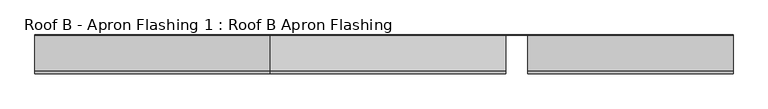
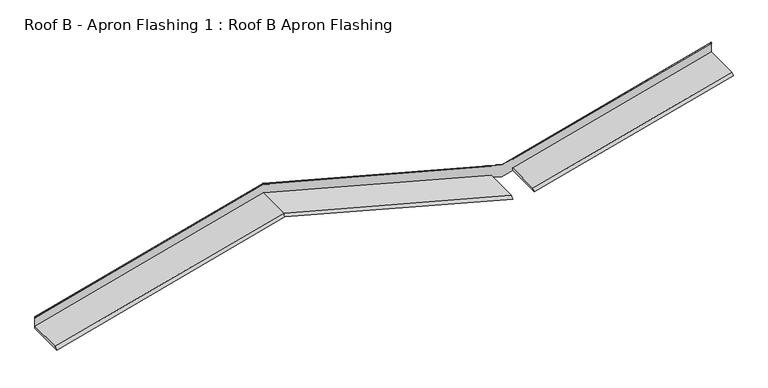
"""IFC4 building model written with IfcOpenShell, lengths in millimetres: proxy geometry, Roof B - Apron Flashing 1 : Roof B Apron Flashing."""

from ifc_helpers import new_model, si_unit, frame, origin, place, context, project, spatial, ellipse_curve, source, transform, mapped, element, save
from ifc_brep_helpers import plane_surface, cylinder_surface, advanced_brep


def roof_b_apron_flashing_1_roof_b_apron_flashing_b01abbb7(model_context):
    return source(origin(), model_context, "Body", "AdvancedBrep", [
        advanced_brep(
        [(2000.0, -488.4050751, 3993.4914166), (2000.0, -515.4050751, 3965.5389597), (4592.292347, -515.4050751, 3270.9363188), (4592.292347, -488.4050751, 3298.8887757), (2000.0, -85.5, 3965.5389597), (4715.0, -85.5, 3238.0569023), (4715.0, -86.5, 3238.0569023), (4592.292347, -86.5, 3270.9363188), (2000.0, -86.7239884, 4106.5414436), (2000.0, -90.5139698, 4100.4995101), (4592.292347, -90.5139698, 3405.8968692), (4592.292347, -86.7239884, 3411.9388026), (2000.0, -86.5, 3993.4914166), (4592.292347, -86.5, 3298.8887757), (-595.339528, -515.4050751, 3270.1198291), (-595.339528, -85.5, 3270.1198291), (-595.339528, -86.7239884, 3411.122313), (-595.339528, -90.5139698, 3405.0803795), (-595.339528, -86.5, 3298.072286), (-595.339528, -488.4050751, 3298.072286), (4837.292347, -488.4050751, 3298.7774948), (4837.292347, -515.4050751, 3270.8250379), (7098.363155, -515.4050751, 3876.6771349), (7098.363155, -488.4050751, 3904.6295918), (4898.525907, -85.5, 3287.2325209), (4898.525907, -477.4175022, 3287.2325209), (7098.363155, -477.4175022, 3876.6771349), (4837.292347, -86.5, 3270.8250379), (-595.339528, -85.5, 3410.7469613), (2000.0, -85.5, 4106.1660919), (4715.0, -85.5, 3378.6840344), (7098.363155, -85.5, 4017.3042671), (7098.363155, -85.5, 3903.6072157), (4898.525907, -85.5, 3314.1626016), (4837.292347, -86.7239884, 3411.8275217), (4837.292347, -90.5139698, 3405.7855883), (7098.363155, -90.5139698, 4011.6376853), (7098.363155, -86.7239884, 4017.6796188), (4837.292347, -86.5, 3298.7774948), (7098.363155, -86.5, 3904.6295918), (7098.363155, -86.5, 4016.1358495), (4837.292347, -86.5, 3410.2837525), (4837.292347, -86.5, 3412.0481369), (4715.0, -86.5, 3379.2800012), (4592.292347, -86.5, 3412.1594178), (4592.292347, -86.5, 3410.3950334), (2000.0, -86.5, 4104.9976743), (-595.339528, -86.5, 3409.5785437), (4837.292347, -89.6752992, 3405.2217365), (7098.363155, -89.6752992, 4011.0738335), (2000.0, -89.6752992, 4099.9356583), (4592.292347, -89.6752992, 3405.3330174), (-595.339528, -89.6752992, 3404.5165277), (4898.525907, -477.4175022, 3314.1626016), (7098.363155, -477.4175022, 3903.6072157)],
        [
            (0, 1),
            (1, 2),
            (2, 3),
            (3, 0),
            (1, 4),
            (4, 5),
            (5, 6),
            (6, 7),
            (7, 2),
            (8, 9),
            (9, 10),
            (10, 11),
            (11, 8),
            (12, 0),
            (3, 13),
            (13, 12),
            (1, 14),
            (14, 15),
            (15, 4),
            (8, 16),
            (16, 17),
            (17, 9),
            (12, 18),
            (18, 19),
            (19, 0),
            (20, 21),
            (21, 22),
            (22, 23),
            (23, 20),
            (5, 24),
            (24, 25),
            (25, 26),
            (26, 22),
            (21, 27),
            (27, 6),
            (15, 28),
            (28, 29),
            (29, 30),
            (30, 31),
            (31, 32),
            (32, 33),
            (33, 24),
            (34, 35),
            (35, 36),
            (36, 37),
            (37, 34),
            (13, 7),
            (27, 38),
            (38, 39),
            (39, 40),
            (40, 41),
            (41, 42),
            (42, 43),
            (43, 44),
            (44, 45),
            (45, 46),
            (46, 47),
            (47, 18),
            (38, 20),
            (23, 39),
            (30, 43, ellipse_curve(frame((4715.0, -86.1656921, 3378.6840344), z_axis=(1.0, 0.0, 0.0), x_axis=(0.0, 0.0, 1.0)), 0.6891751, 0.6656921)),
            (42, 34, ellipse_curve(frame((4837.292347, -86.1656921, 3411.4521701), z_axis=(1.0, 0.0, 0.0), x_axis=(0.0, 0.0, 1.0)), 0.6891751, 0.6656921)),
            (37, 31, ellipse_curve(frame((7098.363155, -86.1656921, 4017.3042671), z_axis=(-1.0, 0.0, 0.0), x_axis=(0.0, 0.0, 1.0)), 0.6891751, 0.6656921)),
            (35, 48, ellipse_curve(frame((4837.292347, -90.0946345, 3405.5036624), z_axis=(1.0, 0.0, 0.0), x_axis=(0.0, 0.0, 1.0)), 0.5176381, 0.5)),
            (48, 49),
            (49, 36, ellipse_curve(frame((7098.363155, -90.0946345, 4011.3557594), z_axis=(-1.0, 0.0, 0.0), x_axis=(0.0, 0.0, 1.0)), 0.5176381, 0.5)),
            (48, 41),
            (40, 49),
            (29, 8, ellipse_curve(frame((2000.0, -86.1656921, 4106.1660919), z_axis=(1.0, 0.0, 0.0), x_axis=(0.0, 0.0, -1.0)), 0.6891751, 0.6656921)),
            (11, 44, ellipse_curve(frame((4592.292347, -86.1656921, 3411.563451), z_axis=(-1.0, 0.0, 0.0), x_axis=(0.0, 0.0, -1.0)), 0.6891751, 0.6656921)),
            (9, 50, ellipse_curve(frame((2000.0, -90.0946345, 4100.2175842), z_axis=(1.0, 0.0, 0.0), x_axis=(0.0, 0.0, -1.0)), 0.5176381, 0.5)),
            (50, 51),
            (51, 10, ellipse_curve(frame((4592.292347, -90.0946345, 3405.6149433), z_axis=(-1.0, 0.0, 0.0), x_axis=(0.0, 0.0, -1.0)), 0.5176381, 0.5)),
            (50, 46),
            (45, 51),
            (28, 16, ellipse_curve(frame((-595.339528, -86.1656921, 3410.7469613), z_axis=(1.0, 0.0, 0.0), x_axis=(0.0, 0.0, 1.0)), 0.6891751, 0.6656921)),
            (17, 52, ellipse_curve(frame((-595.339528, -90.0946345, 3404.7984536), z_axis=(1.0, 0.0, 0.0), x_axis=(0.0, 0.0, 1.0)), 0.5176381, 0.5)),
            (52, 50),
            (52, 47),
            (19, 14),
            (25, 53),
            (53, 54),
            (54, 26),
            (53, 33),
            (32, 54),
        ],
        [
            plane_surface(frame((4715.0, -488.4050751, 3266.0093592), z_axis=(0.18301270189221883, -0.7071067811865478, 0.6830127018922193), x_axis=(-0.9659258262890684, 0.0, 0.2588190451025201))),
            plane_surface(frame((4715.0, -515.4050751, 3238.0569023), z_axis=(-0.2588190451025201, 0.0, -0.9659258262890684), x_axis=(-0.9659258262890684, 0.0, 0.2588190451025201))),
            plane_surface(frame((4715.0, -86.7239884, 3379.0593861), z_axis=(0.14096295496814815, -0.838670567945422, 0.5260809099261741), x_axis=(-0.9659258262890685, 0.0, 0.2588190451025201))),
            plane_surface(frame((4715.0, -86.5, 3266.0093592), z_axis=(0.2588190451025201, 0.0, 0.9659258262890684), x_axis=(-0.9659258262890684, 0.0, 0.2588190451025201))),
            plane_surface(frame((2000.0, -515.4050751, 3965.5389597), z_axis=(0.25881904510251996, 0.0, -0.9659258262890685), x_axis=(-0.9659258262890685, 0.0, -0.25881904510251996))),
            plane_surface(frame((2000.0, -86.7239884, 4106.5414436), z_axis=(-0.1409629549681481, -0.8386705679454222, 0.526080909926174), x_axis=(-0.9659258262890685, 0.0, -0.25881904510252))),
            plane_surface(frame((2000.0, -86.5, 3993.4914166), z_axis=(-0.2588190451025201, 0.0, 0.9659258262890684), x_axis=(-0.9659258262890684, 0.0, -0.2588190451025201))),
            plane_surface(frame((7217.9826273, -488.4050751, 3936.6815328), z_axis=(-0.18301270189221663, -0.7071067811865478, 0.6830127018922197), x_axis=(-0.9659258262890693, 0.0, -0.258819045102517))),
            plane_surface(frame((7224.9707415, -515.4050751, 3910.6015355), z_axis=(0.2588190451025171, 0.0, -0.9659258262890693), x_axis=(-0.9659258262890693, 0.0, -0.2588190451025171))),
            plane_surface(frame((7224.9707415, -85.5, 3910.6015355), z_axis=(0.0, 1.0, 0.0), x_axis=(-0.9659258262890693, 0.0, -0.2588190451025171))),
            plane_surface(frame((7189.7201206, -86.7239884, 4042.1586439), z_axis=(-0.1409629549681465, -0.8386705679454222, 0.5260809099261744), x_axis=(-0.9659258262890693, 0.0, -0.25881904510251713))),
            plane_surface(frame((7190.1060629, -86.5, 4040.7182876), z_axis=(0.0, -1.0, 0.0), x_axis=(-0.9659258262890693, 0.0, -0.258819045102517))),
            plane_surface(frame((7217.9826273, -86.5, 3936.6815328), z_axis=(-0.2588190451025169, 0.0, 0.9659258262890694), x_axis=(-0.9659258262890694, 0.0, -0.2588190451025169))),
            cylinder_surface(frame((7189.8139585, -86.1656921, 4041.808436), z_axis=(0.9659258262890694, 0.0, 0.2588190451025169), x_axis=(-0.2588190451025169, 0.0, 0.9659258262890694)), 0.6656921),
            cylinder_surface(frame((7191.3010854, -90.0946345, 4036.2584028), z_axis=(0.9659258262890694, 0.0, 0.2588190451025169), x_axis=(-0.2588190451025169, 0.0, 0.9659258262890694)), 0.5),
            plane_surface(frame((7191.3715669, -89.6752992, 4035.9953624), z_axis=(0.1409629549681444, 0.8386705679454272, -0.5260809099261671), x_axis=(-0.9659258262890694, 0.0, -0.2588190451025169))),
            cylinder_surface(frame((4770.9117064, -86.1656921, 3363.7025379), z_axis=(0.9659258262890684, 0.0, -0.2588190451025201), x_axis=(0.2588190451025201, 0.0, 0.9659258262890684)), 0.6656921),
            cylinder_surface(frame((4769.4245795, -90.0946345, 3358.1525047), z_axis=(0.9659258262890684, 0.0, -0.2588190451025201), x_axis=(0.2588190451025201, 0.0, 0.9659258262890684)), 0.5),
            plane_surface(frame((4715.0, -89.6752992, 3372.4536009), z_axis=(-0.14096295496814612, 0.8386705679454273, -0.5260809099261665), x_axis=(-0.9659258262890685, 0.0, 0.2588190451025201))),
            cylinder_surface(frame((1944.0882936, -86.1656921, 4091.1845953), z_axis=(0.9659258262890684, 0.0, 0.2588190451025201), x_axis=(-0.2588190451025201, 0.0, 0.9659258262890684)), 0.6656921),
            cylinder_surface(frame((1945.5754205, -90.0946345, 4085.6345621), z_axis=(0.9659258262890684, 0.0, 0.2588190451025201), x_axis=(-0.2588190451025201, 0.0, 0.9659258262890684)), 0.5),
            plane_surface(frame((2000.0, -89.6752992, 4099.9356583), z_axis=(0.1409629549681462, 0.838670567945427, -0.5260809099261665), x_axis=(-0.9659258262890684, 0.0, -0.25881904510252024))),
            plane_surface(frame((2000.0, -488.4050751, 3993.4914166), z_axis=(-0.18301270189221863, -0.7071067811865479, 0.6830127018922192), x_axis=(-0.9659258262890685, 0.0, -0.2588190451025199))),
            plane_surface(frame((4837.292347, -5345.0, 3660.9894786), z_axis=(-1.0, 0.0, 0.0), x_axis=(0.0, 0.0, -1.0))),
            plane_surface(frame((4592.292347, -86.5, 3660.9894786), z_axis=(1.0, 0.0, 0.0), x_axis=(0.0, 0.0, -1.0))),
            plane_surface(frame((-595.339528, -5105.0, 3739.5229882), z_axis=(-1.0, 0.0, 0.0), x_axis=(0.0, 0.0, -1.0))),
            plane_surface(frame((4898.525907, -477.4175022, 3214.1626016), z_axis=(0.0, 1.0, 0.0), x_axis=(1.0, 0.0, 0.0))),
            plane_surface(frame((7613.525907, -477.4175022, 4041.6446591), z_axis=(0.25881904510251846, 0.0, -0.965925826289069), x_axis=(0.0, 1.0, 0.0))),
            plane_surface(frame((4898.525907, -477.4175022, 3314.1626016), z_axis=(1.0, 0.0, 0.0), x_axis=(0.0, 1.0, 0.0))),
            plane_surface(frame((7098.363155, 25.0, 4465.4787487), z_axis=(1.0, 0.0, 0.0), x_axis=(0.0, 0.0, -1.0))),
        ],
        [
            (0, [[1, 2, 3, 4]]),
            (1, [[5, 6, 7, 8, 9, -2]]),
            (2, [[10, 11, 12, 13]]),
            (3, [[14, -4, 15, 16]]),
            (4, [[-5, 17, 18, 19]]),
            (5, [[-10, 20, 21, 22]]),
            (6, [[-14, 23, 24, 25]]),
            (7, [[26, 27, 28, 29]]),
            (8, [[-7, 30, 31, 32, 33, -27, 34, 35]]),
            (9, [[-6, -19, 36, 37, 38, 39, 40, 41, 42, -30]]),
            (10, [[43, 44, 45, 46]]),
            (11, [[-16, 47, -8, -35, 48, 49, 50, 51, 52, 53, 54, 55, 56, 57, 58, -23]]),
            (12, [[59, -29, 60, -49]]),
            (13, [[61, -53, 62, -46, 63, -39]]),
            (14, [[64, 65, 66, -44]]),
            (15, [[67, -51, 68, -65]]),
            (16, [[-38, 69, -13, 70, -54, -61]]),
            (17, [[71, 72, 73, -11]]),
            (18, [[74, -56, 75, -72]]),
            (19, [[-69, -37, 76, -20]]),
            (20, [[-71, -22, 77, 78]]),
            (21, [[-74, -78, 79, -57]]),
            (22, [[-1, -25, 80, -17]]),
            (23, [[-48, -34, -26, -59]]),
            (23, [[-52, -67, -64, -43, -62]]),
            (24, [[-47, -15, -3, -9]]),
            (24, [[-55, -70, -12, -73, -75]]),
            (25, [[-18, -80, -24, -58, -79, -77, -21, -76, -36]]),
            (26, [[81, 82, 83, -32]]),
            (27, [[84, -41, 85, -82]]),
            (28, [[-81, -31, -42, -84]]),
            (29, [[-28, -33, -83, -85, -40, -63, -45, -66, -68, -50, -60]]),
        ],
    ),
    ])


if __name__ == "__main__":
    model = new_model("IFC4")
    model_context = context("Model", 3, world=origin())
    ifc_project = project(units=[si_unit("LENGTHUNIT", "METRE", prefix="MILLI")], contexts=[model_context])
    site = spatial("IfcSite", under=ifc_project)
    building = spatial("IfcBuilding", under=site)
    placement = place(None, origin())
    roof_b_apron_flashing_1_roof_b_apron_flashing_shape = roof_b_apron_flashing_1_roof_b_apron_flashing_b01abbb7(model_context)
    element("IfcBuildingElementProxy", 1, Name="Roof B - Apron Flashing 1 : Roof B Apron Flashing", ObjectType="Roof B - Apron Flashing 1 : Roof B Apron Flashing", at=placement, inside=building, context=model_context, shape_type="MappedRepresentation", body=[
        mapped(roof_b_apron_flashing_1_roof_b_apron_flashing_shape, transform((0.0, 0.0, 0.0), x_axis=(1.0, 0.0, 0.0), y_axis=(0.0, 1.0, 0.0), z_axis=(0.0, 0.0, 1.0))),
    ])
    save(model, "model.ifc")
